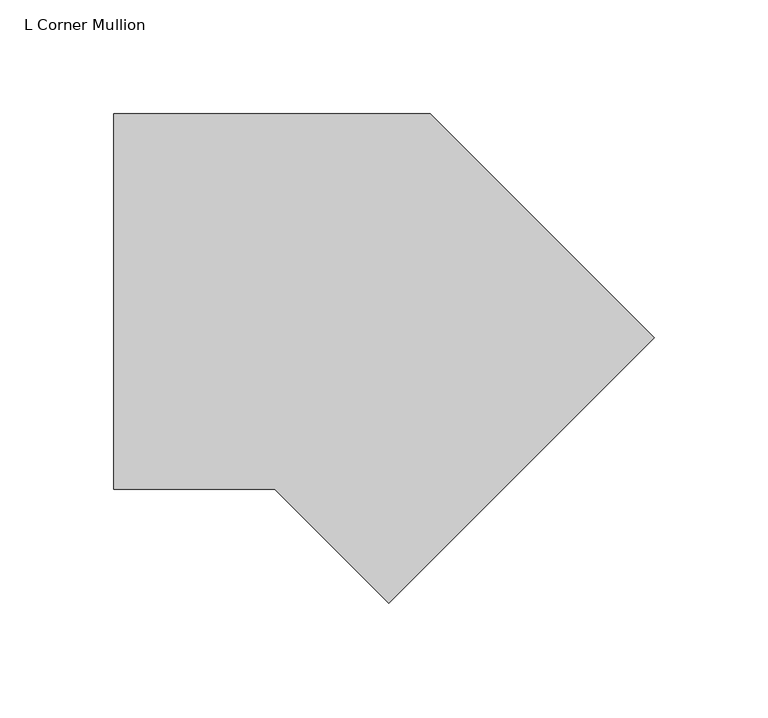
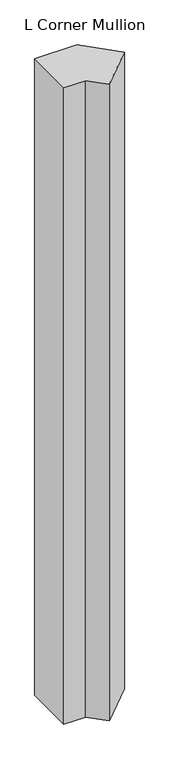
"""IFC4 building model written with IfcOpenShell, lengths in millimetres: member geometry, L Corner Mullion."""

from ifc_helpers import new_model, si_unit, frame, origin, place, context, project, spatial, polyline, outline, extrude, source, transform, mapped, element, save


def l_corner_mullion_eda5db27(model_context):
    return source(origin(), model_context, "Body", "SweptSolid", [
        extrude(outline(polyline([(44.8587403, -62.8192525), (-5.2605122, -12.7), (-76.1398389, -12.7), (-76.1398389, 152.4), (63.1261469, 152.4), (161.6020699, 53.924077), (44.8587403, -62.8192525)])), frame((0.0, 0.0, -2209.3326946), z_axis=(0.0, 0.0, 1.0), x_axis=(1.0, 0.0, 0.0)), (0.0, 0.0, 1.0), 2209.3326946),
    ])


if __name__ == "__main__":
    model = new_model("IFC4")
    model_context = context("Model", 3, world=origin())
    ifc_project = project(units=[si_unit("LENGTHUNIT", "METRE", prefix="MILLI")], contexts=[model_context])
    site = spatial("IfcSite", under=ifc_project)
    building = spatial("IfcBuilding", under=site)
    placement = place(None, origin())
    l_corner_mullion_shape = l_corner_mullion_eda5db27(model_context)
    element("IfcMember", 1, ObjectType="L Corner Mullion", at=placement, inside=building, context=model_context, shape_type="MappedRepresentation", body=[
        mapped(l_corner_mullion_shape, transform((0.0, 0.0, 0.0), x_axis=(1.0, 0.0, 0.0), y_axis=(0.0, 1.0, 0.0), z_axis=(0.0, 0.0, 1.0))),
    ])
    save(model, "model.ifc")
